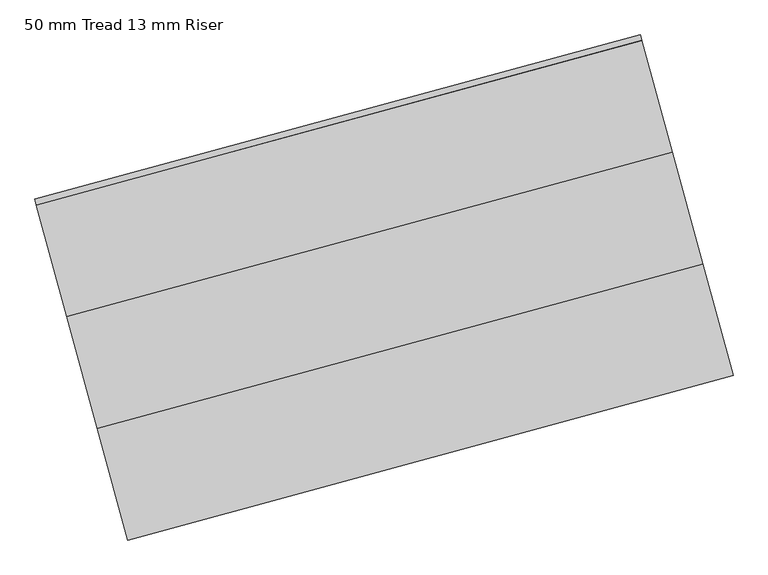
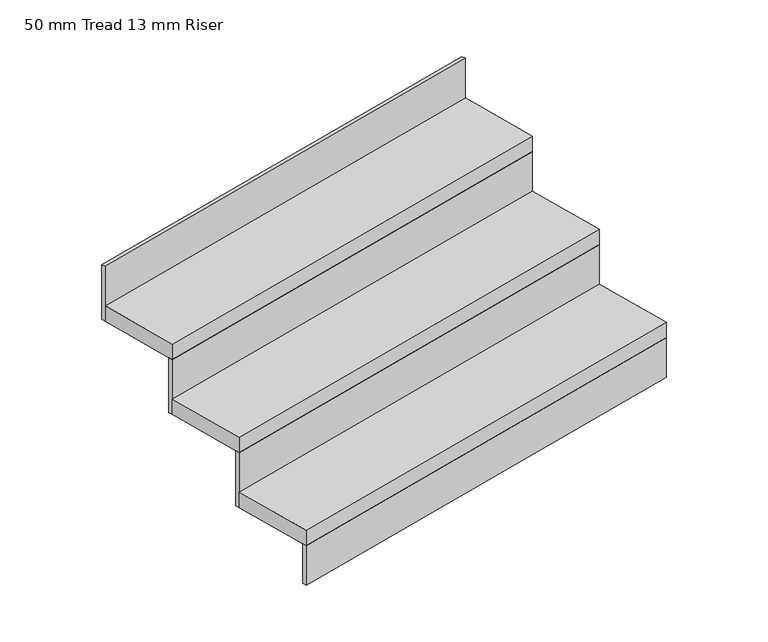
"""IFC4 building model written with IfcOpenShell, lengths in millimetres: stair flight geometry, 50 mm Tread 13 mm Riser."""

from ifc_helpers import new_model, si_unit, frame, origin, origin_with_axes, place, context, project, spatial, polyline, outline, extrude, source, transform, mapped, element, save


def stair_flight_50_mm_tread_13_mm_riser_f513064f(model_context):
    return source(origin(), model_context, "Body", "SweptSolid", [
        extrude(outline(polyline([(96681.9943739, 55435.7303664), (96685.2729844, 55423.6679987), (95378.8285939, 55068.5700303), (95375.5499834, 55080.632398), (96681.9943739, 55435.7303664)])), origin_with_axes(), (0.0, 0.0, 1.0), 127.7777778),
        extrude(outline(polyline([(95313.2563846, 55309.8173834), (96619.7007751, 55664.9153518), (96685.2729844, 55423.6679987), (95378.8285939, 55068.5700303), (95313.2563846, 55309.8173834)])), frame((0.0, 0.0, 127.7777778), z_axis=(0.0, 0.0, 1.0), x_axis=(1.0, 0.0, 0.0)), (0.0, 0.0, 1.0), 50.0),
        extrude(outline(polyline([(96616.4221646, 55676.9777195), (96619.7007751, 55664.9153518), (95313.2563846, 55309.8173834), (95309.9777742, 55321.8797511), (96616.4221646, 55676.9777195)])), frame((0.0, 0.0, 127.7777778), z_axis=(0.0, 0.0, 1.0), x_axis=(1.0, 0.0, 0.0)), (0.0, 0.0, 1.0), 177.7777778),
        extrude(outline(polyline([(95247.6841754, 55551.0647365), (96554.1285658, 55906.1627049), (96619.7007751, 55664.9153518), (95313.2563846, 55309.8173834), (95247.6841754, 55551.0647365)])), frame((0.0, 0.0, 305.5555556), z_axis=(0.0, 0.0, 1.0), x_axis=(1.0, 0.0, 0.0)), (0.0, 0.0, 1.0), 50.0),
        extrude(outline(polyline([(96550.8499554, 55918.2250725), (96554.1285658, 55906.1627049), (95247.6841754, 55551.0647365), (95244.4055649, 55563.1271042), (96550.8499554, 55918.2250725)])), frame((0.0, 0.0, 305.5555556), z_axis=(0.0, 0.0, 1.0), x_axis=(1.0, 0.0, 0.0)), (0.0, 0.0, 1.0), 177.7777778),
        extrude(outline(polyline([(96485.2777461, 56159.4724256), (96488.5563566, 56147.410058), (95182.1119661, 55792.3120896), (95178.8333556, 55804.3744573), (96485.2777461, 56159.4724256)])), frame((0.0, 0.0, 483.3333333), z_axis=(0.0, 0.0, 1.0), x_axis=(1.0, 0.0, 0.0)), (0.0, 0.0, 1.0), 177.7777778),
        extrude(outline(polyline([(95182.1119661, 55792.3120896), (96488.5563566, 56147.410058), (96554.1285658, 55906.1627049), (95247.6841754, 55551.0647365), (95182.1119661, 55792.3120896)])), frame((0.0, 0.0, 483.3333333), z_axis=(0.0, 0.0, 1.0), x_axis=(1.0, 0.0, 0.0)), (0.0, 0.0, 1.0), 50.0),
    ])


if __name__ == "__main__":
    model = new_model("IFC4")
    model_context = context("Model", 3, world=origin())
    ifc_project = project(units=[si_unit("LENGTHUNIT", "METRE", prefix="MILLI")], contexts=[model_context])
    site = spatial("IfcSite", under=ifc_project)
    building = spatial("IfcBuilding", under=site)
    placement = place(None, origin())
    stair_flight_50_mm_tread_13_mm_riser_shape = stair_flight_50_mm_tread_13_mm_riser_f513064f(model_context)
    element("IfcStairFlight", 1, ObjectType="50 mm Tread 13 mm Riser", at=placement, inside=building, context=model_context, shape_type="MappedRepresentation", body=[
        mapped(stair_flight_50_mm_tread_13_mm_riser_shape, transform((0.0, 0.0, 0.0), x_axis=(1.0, 0.0, 0.0), y_axis=(0.0, 1.0, 0.0), z_axis=(0.0, 0.0, 1.0))),
    ])
    save(model, "model.ifc")
